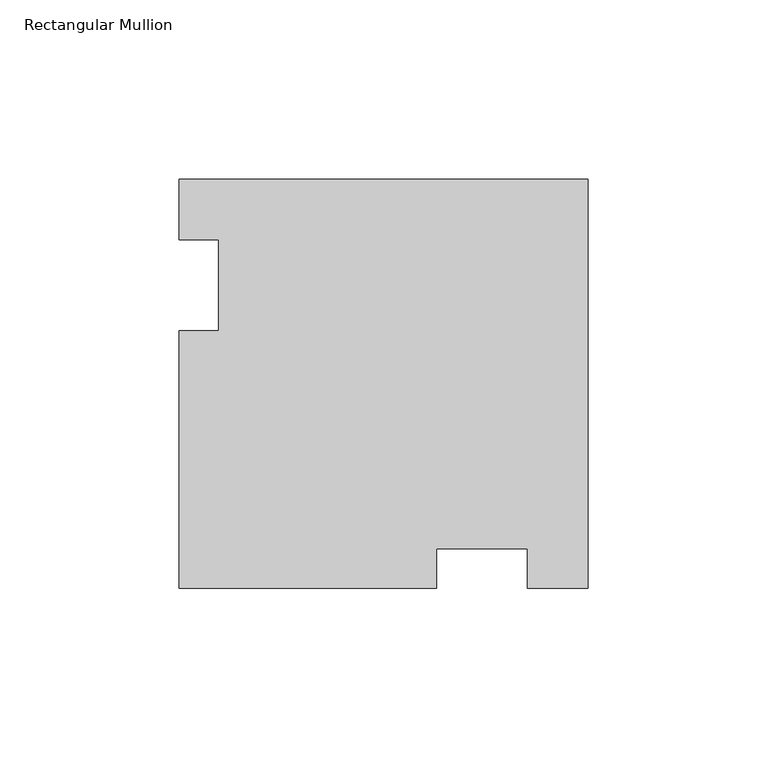
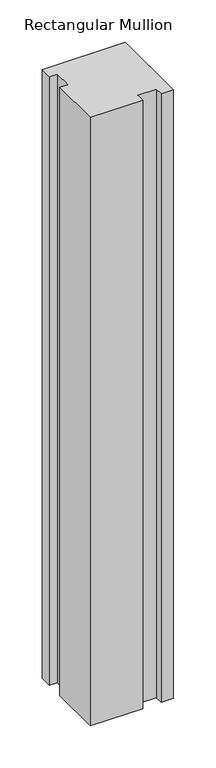
"""IFC4 building model written with IfcOpenShell, lengths in millimetres: member geometry, Rectangular Mullion."""

from ifc_helpers import new_model, si_unit, frame, origin, place, context, project, spatial, polyline, outline, extrude, source, transform, mapped, element, save


def rectangular_mullion_8aa0e6f9(model_context):
    return source(origin(), model_context, "Body", "SweptSolid", [
        extrude(outline(polyline([(-42.3635868, -84.6545868), (-114.3, -84.6545868), (-114.3, -12.7181735), (-103.1875, -12.7181735), (-103.1875, 12.7), (-114.3, 12.7), (-114.3, 29.6454132), (0.0, 29.6454132), (0.0, -84.6545868), (-16.9454132, -84.6545868), (-16.9454132, -73.5420868), (-42.3635868, -73.5420868), (-42.3635868, -84.6545868)])), frame((0.0, 0.0, -882.65), z_axis=(0.0, 0.0, 1.0), x_axis=(1.0, 0.0, 0.0)), (0.0, 0.0, 1.0), 882.65),
    ])


if __name__ == "__main__":
    model = new_model("IFC4")
    model_context = context("Model", 3, world=origin())
    ifc_project = project(units=[si_unit("LENGTHUNIT", "METRE", prefix="MILLI")], contexts=[model_context])
    site = spatial("IfcSite", under=ifc_project)
    building = spatial("IfcBuilding", under=site)
    placement = place(None, origin())
    rectangular_mullion_shape = rectangular_mullion_8aa0e6f9(model_context)
    element("IfcMember", 1, ObjectType="Rectangular Mullion", at=placement, inside=building, context=model_context, shape_type="MappedRepresentation", body=[
        mapped(rectangular_mullion_shape, transform((0.0, 0.0, 0.0), x_axis=(1.0, 0.0, 0.0), y_axis=(0.0, 1.0, 0.0), z_axis=(0.0, 0.0, 1.0))),
    ])
    save(model, "model.ifc")
